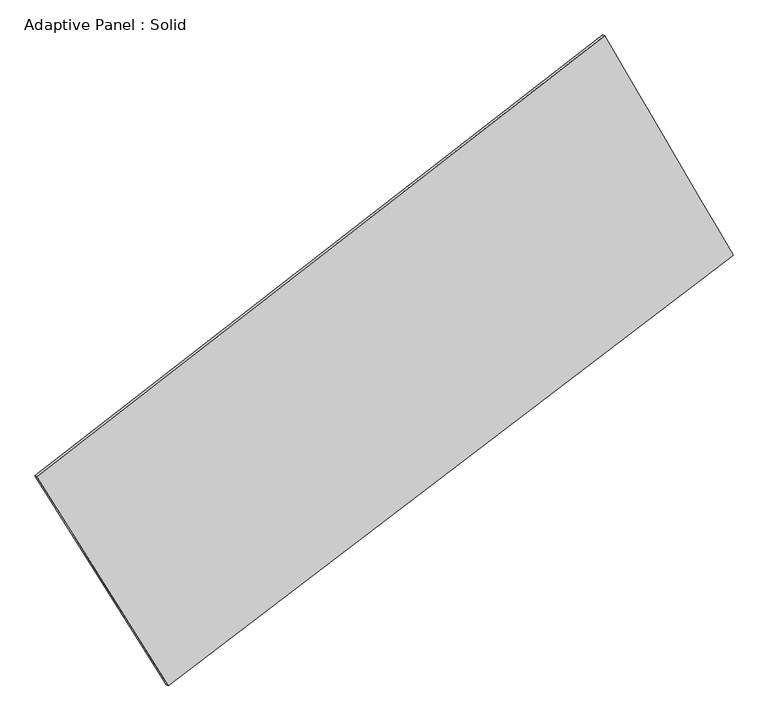
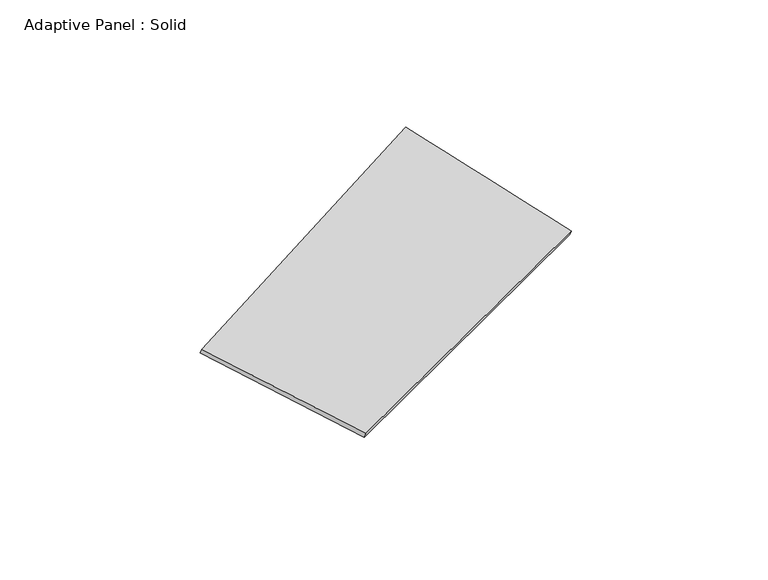
"""IFC4 building model written with IfcOpenShell, lengths in millimetres: plate geometry, Adaptive Panel : Solid."""

from ifc_helpers import new_model, si_unit, frame, origin, place, context, project, spatial, source, transform, mapped, element, save
from ifc_brep_helpers import plane_surface, spline_surface, advanced_brep


def adaptive_panel_solid_a5da7212(model_context):
    return source(origin(), model_context, "Body", "AdvancedBrep", [
        advanced_brep(
        [(1154.9076824, 2599.6729191, 724.1327582), (-3527.1325892, -1034.0700357, 1585.1607053), (-3512.4662334, -1040.4501291, 1632.5336133), (1169.5740382, 2593.2928257, 771.5056662), (-2444.1516719, -2757.943109, 1119.595748), (-2429.4853161, -2764.3232025, 1166.968656), (2213.0860006, 792.0916526, 56.2333088), (2227.7523564, 785.7115592, 103.6062168)],
        [
            (0, 1),
            (1, 2),
            (2, 3),
            (3, 0),
            (1, 4),
            (4, 5),
            (5, 2),
            (4, 6),
            (6, 7),
            (7, 5),
            (6, 0),
            (3, 7),
        ],
        [
            plane_surface(frame((-1186.1124534, 782.8014417, 1154.6467317), z_axis=(-0.5565894979536687, 0.7829775661553825, 0.27776655965950425), x_axis=(-0.7817859698522976, -0.6067460114263888, 0.14377056360837942))),
            plane_surface(frame((-2985.6421306, -1896.0065723, 1352.3782266), z_axis=(-0.8114015354052501, -0.557314883777321, 0.17614672481279395), x_axis=(0.5185743035116545, -0.825458938457805, -0.22293100425359486))),
            plane_surface(frame((-115.5328357, -982.9257282, 587.9145284), z_axis=(0.542399695789499, -0.7938914922934848, -0.27484335260559384), x_axis=(0.7824986401354016, 0.5964688875117782, -0.17866377477460013))),
            plane_surface(frame((1683.9968415, 1695.8822859, 390.1830335), z_axis=(0.818486327842838, 0.5456290870077528, -0.17991395317048764), x_axis=(-0.4813293297071638, 0.8222072446763495, 0.3038047451330835))),
            spline_surface(1, 1, [[(-3512.4662334, -1040.4501291, 1632.5336133), (1169.5740382, 2593.2928257, 771.5056662)], [(-2429.4853161, -2764.3232025, 1166.968656), (2227.7523564, 785.7115592, 103.6062168)]], [2, 2], [2, 2], [0.0, 1.0], [0.0, 1.0]),
            spline_surface(1, 1, [[(2213.0860006, 792.0916526, 56.2333088), (1154.9076824, 2599.6729191, 724.1327582)], [(-2444.1516719, -2757.943109, 1119.595748), (-3527.1325892, -1034.0700357, 1585.1607053)]], [2, 2], [2, 2], [0.0, 1.0], [0.0, 1.0]),
        ],
        [
            (0, [[1, 2, 3, 4]]),
            (1, [[5, 6, 7, -2]]),
            (2, [[8, 9, 10, -6]]),
            (3, [[11, -4, 12, -9]]),
            (4, [[-3, -7, -10, -12]]),
            (5, [[-11, -8, -5, -1]]),
        ],
    ),
    ])


if __name__ == "__main__":
    model = new_model("IFC4")
    model_context = context("Model", 3, world=origin())
    ifc_project = project(units=[si_unit("LENGTHUNIT", "METRE", prefix="MILLI")], contexts=[model_context])
    site = spatial("IfcSite", under=ifc_project)
    building = spatial("IfcBuilding", under=site)
    placement = place(None, origin())
    adaptive_panel_solid_shape = adaptive_panel_solid_a5da7212(model_context)
    element("IfcPlate", 1, ObjectType="Adaptive Panel : Solid", at=placement, inside=building, context=model_context, shape_type="MappedRepresentation", body=[
        mapped(adaptive_panel_solid_shape, transform((0.0, 0.0, 0.0), x_axis=(1.0, 0.0, 0.0), y_axis=(0.0, 1.0, 0.0), z_axis=(0.0, 0.0, 1.0))),
    ])
    save(model, "model.ifc")
